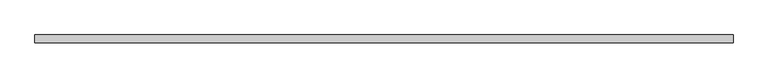
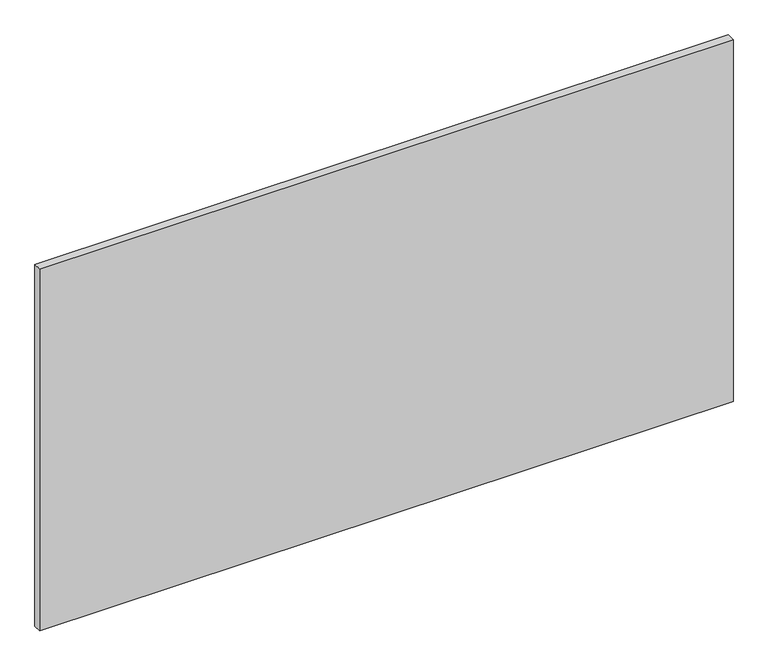
"""IFC4 building model written with IfcOpenShell, lengths in millimetres: plate geometry."""

from ifc_helpers import new_model, si_unit, origin, origin_with_axes, place, context, project, spatial, polyline, outline, extrude, source, transform, mapped, element, save


def plate_82963877(model_context):
    return source(origin(), model_context, "Body", "SweptSolid", [
        extrude(outline(polyline([(627.75, 7.25), (627.75, -7.25), (-627.75, -7.25), (-627.75, 7.25), (627.75, 7.25)])), origin_with_axes(), (0.0, 0.0, 1.0), 693.2),
    ])


if __name__ == "__main__":
    model = new_model("IFC4")
    model_context = context("Model", 3, world=origin())
    ifc_project = project(units=[si_unit("LENGTHUNIT", "METRE", prefix="MILLI")], contexts=[model_context])
    site = spatial("IfcSite", under=ifc_project)
    building = spatial("IfcBuilding", under=site)
    placement = place(None, origin())
    plate_shape = plate_82963877(model_context)
    element("IfcPlate", 1, at=placement, inside=building, context=model_context, shape_type="MappedRepresentation", body=[
        mapped(plate_shape, transform((0.0, 0.0, 0.0), x_axis=(1.0, 0.0, 0.0), y_axis=(0.0, 1.0, 0.0), z_axis=(0.0, 0.0, 1.0))),
    ])
    save(model, "model.ifc")
